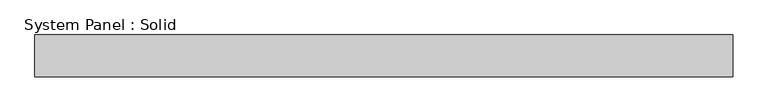
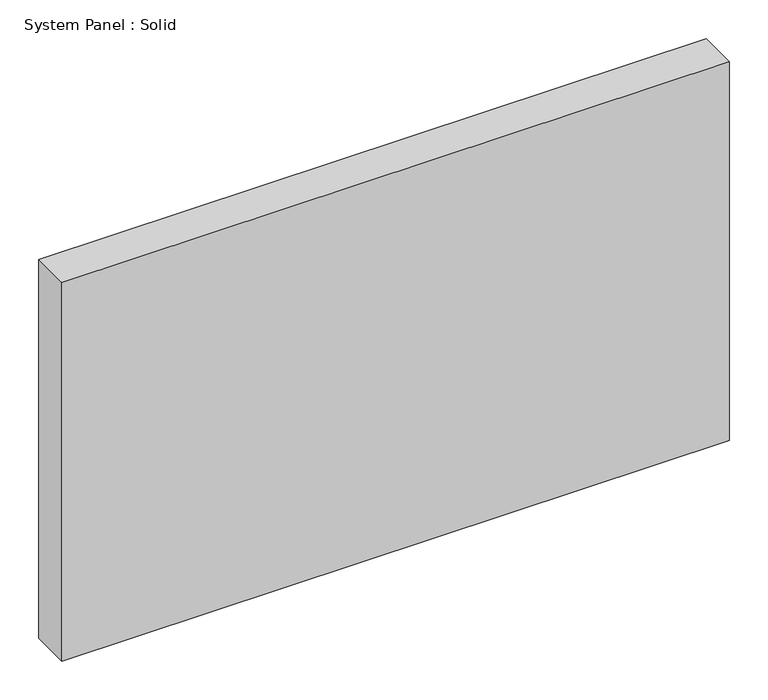
"""IFC4 building model written with IfcOpenShell, lengths in millimetres: plate geometry, System Panel : Solid."""

from ifc_helpers import new_model, si_unit, origin, origin_with_axes, place, context, project, spatial, polyline, outline, extrude, source, transform, mapped, element, save


def system_panel_solid_f374b746(model_context):
    return source(origin(), model_context, "Body", "SweptSolid", [
        extrude(outline(polyline([(500.0, -10.5), (-500.0, -10.5), (-500.0, 49.5), (500.0, 49.5), (500.0, -10.5)])), origin_with_axes(), (0.0, 0.0, 1.0), 600.0),
    ])


if __name__ == "__main__":
    model = new_model("IFC4")
    model_context = context("Model", 3, world=origin())
    ifc_project = project(units=[si_unit("LENGTHUNIT", "METRE", prefix="MILLI")], contexts=[model_context])
    site = spatial("IfcSite", under=ifc_project)
    building = spatial("IfcBuilding", under=site)
    placement = place(None, origin())
    system_panel_solid_shape = system_panel_solid_f374b746(model_context)
    element("IfcPlate", 1, ObjectType="System Panel : Solid", at=placement, inside=building, context=model_context, shape_type="MappedRepresentation", body=[
        mapped(system_panel_solid_shape, transform((0.0, 0.0, 0.0), x_axis=(1.0, 0.0, 0.0), y_axis=(0.0, 1.0, 0.0), z_axis=(0.0, 0.0, 1.0))),
    ])
    save(model, "model.ifc")
